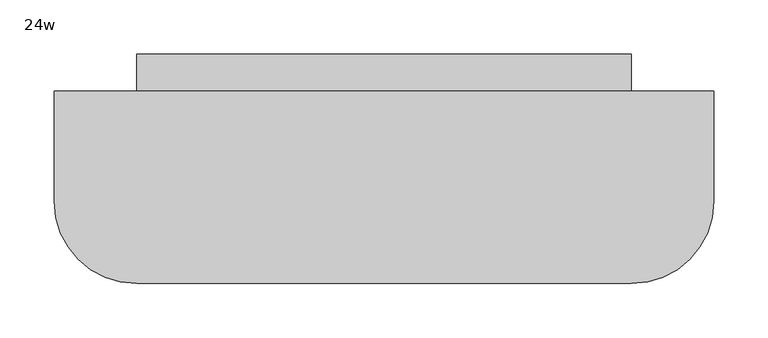
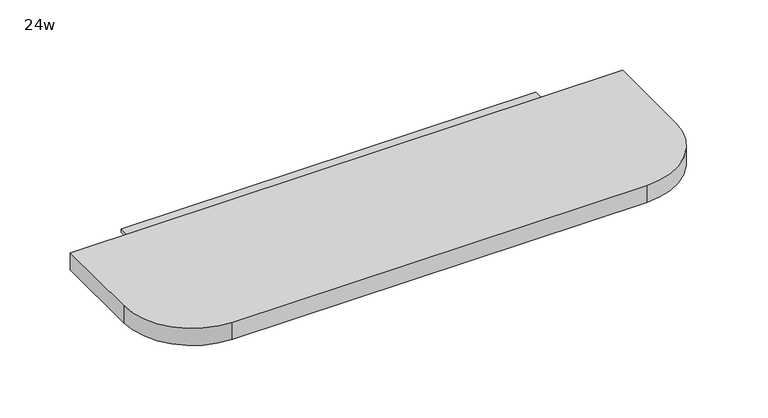
"""IFC4 building model written with IfcOpenShell, lengths in millimetres: furniture geometry, 24w."""

from ifc_helpers import new_model, si_unit, point, frame, frame_2d, origin, place, context, project, spatial, polyline, circle_curve, trimmed, segment, composite_curve, outline, extrude, source, transform, mapped, element, save


def furniture_24w_00f58e2b(model_context):
    return source(origin(), model_context, "Body", "SweptSolid", [
        extrude(outline(composite_curve([segment(polyline([(8.2409467, 545.9364026), (8.2409467, 428.8582776)]), True, "CONTINUOUS"), segment(trimmed(circle_curve(frame_2d((-10.8090533, 428.8582776)), 19.05), [point((8.2409467, 428.8582776))], [point((-10.8090533, 409.8082776))], False, "CARTESIAN"), True, "CONTINUOUS"), segment(polyline([(-10.8090533, 409.8082776), (-429.9090533, 409.8082776)]), True, "CONTINUOUS"), segment(trimmed(circle_curve(frame_2d((-429.9090533, 428.8582776)), 19.05), [point((-429.9090533, 409.8082776))], [point((-448.9590533, 428.8582776))], False, "CARTESIAN"), True, "CONTINUOUS"), segment(polyline([(-448.9590533, 428.8582776), (-448.9590533, 545.9364026), (8.2409467, 545.9364026)]), True, "CONTINUOUS")], self_intersect=False)), frame((0.0, 0.0, 996.35945), z_axis=(0.0, 0.0, 1.0), x_axis=(1.0, 0.0, 0.0)), (0.0, 0.0, 1.0), 3.96875),
        extrude(outline(composite_curve([segment(polyline([(84.4409467, 511.4082776), (84.4409467, 409.8082776)]), True, "CONTINUOUS"), segment(trimmed(circle_curve(frame_2d((8.2409467, 409.8082776)), 76.2), [point((84.4409467, 409.8082776))], [point((8.2409467, 333.6082776))], False, "CARTESIAN"), True, "CONTINUOUS"), segment(polyline([(8.2409467, 333.6082776), (-448.9590533, 333.6082776)]), True, "CONTINUOUS"), segment(trimmed(circle_curve(frame_2d((-448.9590533, 409.8082776)), 76.2), [point((-448.9590533, 333.6082776))], [point((-525.1590533, 409.8082776))], False, "CARTESIAN"), True, "CONTINUOUS"), segment(polyline([(-525.1590533, 409.8082776), (-525.1590533, 511.4082776), (84.4409467, 511.4082776)]), True, "CONTINUOUS")], self_intersect=False)), frame((0.0, 0.0, 1000.3282), z_axis=(0.0, 0.0, 1.0), x_axis=(1.0, 0.0, 0.0)), (0.0, 0.0, 1.0), 19.9429687),
    ])


if __name__ == "__main__":
    model = new_model("IFC4")
    model_context = context("Model", 3, world=origin())
    ifc_project = project(units=[si_unit("LENGTHUNIT", "METRE", prefix="MILLI")], contexts=[model_context])
    site = spatial("IfcSite", under=ifc_project)
    building = spatial("IfcBuilding", under=site)
    placement = place(None, origin())
    furniture_24w_shape = furniture_24w_00f58e2b(model_context)
    element("IfcFurniture", 1, ObjectType="24w", at=placement, inside=building, context=model_context, shape_type="MappedRepresentation", body=[
        mapped(furniture_24w_shape, transform((0.0, 0.0, 0.0), x_axis=(1.0, 0.0, 0.0), y_axis=(0.0, 1.0, 0.0), z_axis=(0.0, 0.0, 1.0))),
    ])
    save(model, "model.ifc")
